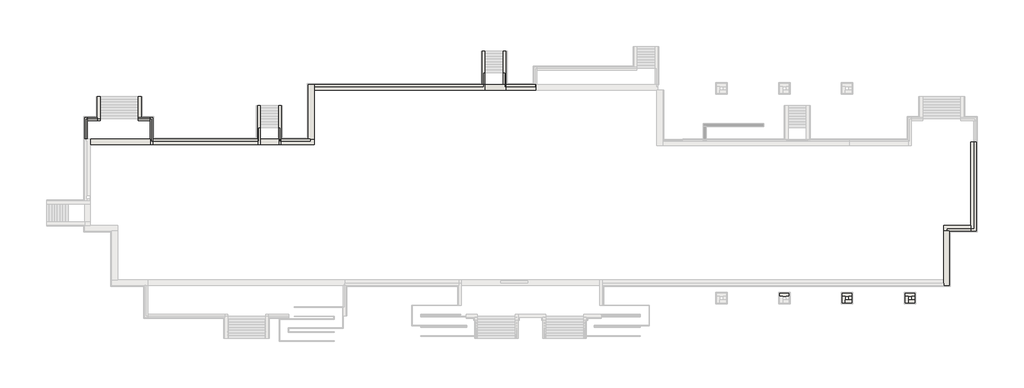
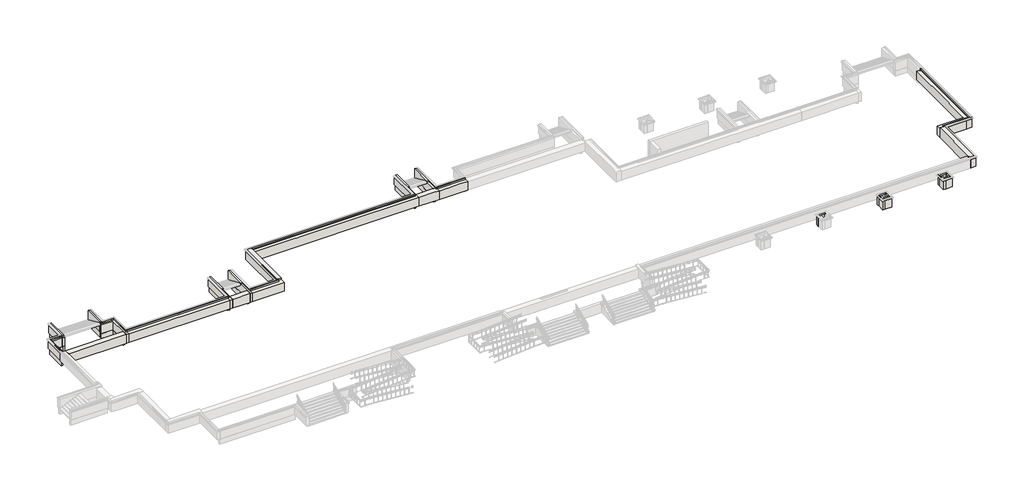
# One storey, part 2 of 10: 40 walls.
"""IFC4 building model written with IfcOpenShell, lengths in millimetres."""

from ifc_helpers import new_model, si_unit, frame, origin, place, context, project, spatial, polyline, outline, extrude, faceted_brep, element, save

model = new_model("IFC4")

# Units and contexts
model_context = context("Model", 3, world=origin())
ifc_project = project(units=[si_unit("LENGTHUNIT", "METRE", prefix="MILLI")], contexts=[model_context])

# Site, building, storey
site = spatial("IfcSite", under=ifc_project)
building = spatial("IfcBuilding", under=site)
storey = spatial("IfcBuildingStorey", under=building, Elevation=-1200.0)

# Walls
placement = place(None, origin())
element("IfcWall", 1, at=placement, inside=storey, context=model_context, shape_type="Brep", body=[
    faceted_brep([(49210.0112841, 698.1079487, -1200.0), (49210.0112841, 268.1079487, -1200.0), (49210.0112841, -8506.8920513, -1200.0), (49210.0112841, -9116.8920513, -1200.0), (49210.0112841, -9116.8920513, -1100.0), (49210.0112841, -9116.8920513, -150.0), (49210.0112841, -9116.8920513, 0.0), (49210.0112841, -9016.8920513, 0.0), (49210.0112841, -8906.8920513, 0.0), (49210.0112841, -8906.8920513, -160.0), (49210.0112841, -8506.8920513, -160.0), (49210.0112841, -6146.8920513, -160.0), (49210.0112841, -5946.8920513, -160.0), (49210.0112841, -5506.8920513, -160.0), (49210.0112841, -5306.8920513, -160.0), (49210.0112841, 698.1079487, -160.0), (49820.0112841, -9116.8920513, 0.0), (49820.0112841, -9116.8920513, -150.0), (49820.0112841, -9116.8920513, -1100.0), (49820.0112841, -9116.8920513, -1200.0), (49820.0112841, 268.1079487, -1200.0), (49820.0112841, 573.1079487, -1200.0), (49820.0112841, 573.1079487, -1105.5), (49820.0112841, 698.1079487, -1105.5), (49820.0112841, 698.1079487, -1100.0), (49820.0112841, 698.1079487, -150.0), (49820.0112841, 698.1079487, 0.0), (49820.0112841, 573.1079487, 0.0), (49710.0112841, 698.1079487, -1200.0), (49710.0112841, 573.1079487, -1200.0), (49720.0112841, 698.1079487, 0.0), (49610.0112841, 698.1079487, 0.0), (49610.0112841, -8906.8920513, 0.0), (49710.0112841, 698.1079487, -1100.0), (49610.0112841, 698.1079487, -160.0), (49710.0112841, 573.1079487, -1100.0), (49610.0112841, -8906.8920513, -160.0)], [[[0, 1, 2, 3, 4, 5, 6, 7, 8, 9, 10, 11, 12, 13, 14, 15]], [[16, 17, 18, 19, 20, 21, 22, 23, 24, 25, 26, 27]], [[3, 2, 1, 0, 28, 29, 21, 20, 19]], [[6, 16, 27, 26, 30, 31, 32, 8, 7]], [[26, 25, 24, 23, 33, 28, 0, 15, 34, 31, 30]], [[3, 19, 18, 17, 16, 6, 5, 4]], [[35, 22, 21, 29]], [[22, 35, 33, 23]], [[35, 29, 28, 33]], [[9, 36, 34, 15, 14, 13, 12, 11, 10]], [[36, 32, 31, 34]], [[32, 36, 9, 8]]]),
])
element("IfcWall", 2, at=placement, inside=storey, context=model_context, shape_type="Brep", body=[
    faceted_brep([(49210.0112841, -8506.8920513, -1200.0), (46210.0112841, -8506.8920513, -1200.0), (46210.0112841, -8506.8920513, -160.0), (49210.0112841, -8506.8920513, -160.0), (49210.0112841, -9116.8920513, -150.0), (49210.0112841, -9116.8920513, 0.0), (46820.0112841, -9116.8920513, 0.0), (46720.0112841, -9116.8920513, 0.0), (46610.0112841, -9116.8920513, 0.0), (46610.0112841, -9116.8920513, -160.0), (46210.0112841, -9116.8920513, -160.0), (46210.0112841, -9116.8920513, -1200.0), (46820.0112841, -9116.8920513, -1200.0), (49210.0112841, -9116.8920513, -1200.0), (49210.0112841, -9116.8920513, -1100.0), (49210.0112841, -9016.8920513, 0.0), (49210.0112841, -8906.8920513, 0.0), (46610.0112841, -8906.8920513, 0.0), (49210.0112841, -8906.8920513, -160.0), (46610.0112841, -8906.8920513, -160.0)], [[[0, 1, 2, 3]], [[4, 5, 6, 7, 8, 9, 10, 11, 12, 13, 14]], [[1, 0, 13, 12, 11]], [[6, 5, 15, 16, 17, 8, 7]], [[1, 11, 10, 2]], [[13, 0, 3, 18, 16, 15, 5, 4, 14]], [[9, 19, 18, 3, 2, 10]], [[19, 17, 16, 18]], [[17, 19, 9, 8]]]),
])
element("IfcWall", 3, at=placement, inside=storey, context=model_context, shape_type="Brep", body=[
    faceted_brep([(46210.0112841, -9116.8920513, -1200.0), (46210.0112841, -14506.8920513, -1200.0), (46210.0112841, -15116.8920513, -1200.0), (46210.0112841, -15116.8920513, -1100.0), (46210.0112841, -15116.8920513, -150.0), (46210.0112841, -15116.8920513, 0.0), (46210.0112841, -15016.8920513, 0.0), (46210.0112841, -14506.8920513, 0.0), (46210.0112841, -9116.8920513, 0.0), (46210.0112841, -9116.8920513, -300.0), (46820.0112841, -15116.8920513, -1200.0), (46820.0112841, -14506.8920513, -1200.0), (46820.0112841, -9116.8920513, -1200.0), (46820.0112841, -9116.8920513, -1100.0), (46820.0112841, -9116.8920513, -150.0), (46820.0112841, -9116.8920513, 0.0), (46820.0112841, -15116.8920513, 0.0), (46820.0112841, -15116.8920513, -150.0), (46820.0112841, -15116.8920513, -1100.0), (46720.0112841, -9116.8920513, 0.0), (46610.0112841, -9116.8920513, 0.0)], [[[0, 1, 2, 3, 4, 5, 6, 7, 8, 9]], [[10, 11, 12, 13, 14, 15, 16, 17, 18]], [[2, 1, 0, 12, 11, 10]], [[16, 15, 19, 20, 8, 7, 6, 5]], [[12, 0, 9, 8, 20, 19, 15, 14, 13]], [[2, 10, 18, 17, 16, 5, 4, 3]]]),
])
element("IfcWall", 4, at=placement, inside=storey, context=model_context, shape_type="Brep", body=[
    faceted_brep([(-22989.9887159, 1003.1079487, -1200.0), (-22989.9887159, 6393.1079487, -1200.0), (-22989.9887159, 7003.1079487, -1200.0), (-22989.9887159, 7003.1079487, -1100.0), (-22989.9887159, 7003.1079487, -150.0), (-22989.9887159, 7003.1079487, 0.0), (-22989.9887159, 6903.1079487, 0.0), (-22989.9887159, 6793.1079487, 0.0), (-22989.9887159, 1003.1079487, 0.0), (-22989.9887159, 1003.1079487, -160.0), (-23599.9887159, 7003.1079487, -1200.0), (-23599.9887159, 1003.1079487, -1200.0), (-23599.9887159, 1003.1079487, -1100.0), (-23599.9887159, 1003.1079487, -150.0), (-23599.9887159, 1003.1079487, 0.0), (-23599.9887159, 7003.1079487, 0.0), (-23599.9887159, 7003.1079487, -150.0), (-23599.9887159, 7003.1079487, -1100.0), (-23499.9887159, 1003.1079487, 0.0), (-23389.9887159, 1003.1079487, 0.0)], [[[0, 1, 2, 3, 4, 5, 6, 7, 8, 9]], [[10, 11, 12, 13, 14, 15, 16, 17]], [[2, 1, 0, 11, 10]], [[15, 14, 18, 19, 8, 7, 6, 5]], [[2, 10, 17, 16, 15, 5, 4, 3]], [[0, 9, 8, 19, 18, 14, 13, 12, 11]]]),
])
element("IfcWall", 5, at=placement, inside=storey, context=model_context, shape_type="Brep", body=[
    faceted_brep([(-22989.9887159, 6393.1079487, -1200.0), (-4199.9887159, 6393.1079487, -1200.0), (-4199.9887159, 6393.1079487, -300.0), (-4199.9887159, 6393.1079487, -160.0), (-22989.9887159, 6393.1079487, -160.0), (-22989.9887159, 7003.1079487, -150.0), (-22989.9887159, 7003.1079487, 0.0), (-4509.9887159, 7003.1079487, 0.0), (-4409.9887159, 7003.1079487, 0.0), (-4409.9887159, 7003.1079487, -160.0), (-4199.9887159, 7003.1079487, -160.0), (-4199.9887159, 7003.1079487, -300.0), (-4199.9887159, 7003.1079487, -1200.0), (-4399.9887159, 7003.1079487, -1200.0), (-22989.9887159, 7003.1079487, -1200.0), (-22989.9887159, 7003.1079487, -1100.0), (-22989.9887159, 6903.1079487, 0.0), (-22989.9887159, 6793.1079487, 0.0), (-4409.9887159, 6793.1079487, 0.0), (-22989.9887159, 6793.1079487, -160.0), (-4409.9887159, 6793.1079487, -160.0)], [[[0, 1, 2, 3, 4]], [[5, 6, 7, 8, 9, 10, 11, 12, 13, 14, 15]], [[1, 0, 14, 13, 12]], [[6, 16, 17, 18, 8, 7]], [[14, 0, 4, 19, 17, 16, 6, 5, 15]], [[9, 20, 19, 4, 3, 10]], [[20, 18, 17, 19]], [[18, 20, 9, 8]], [[1, 12, 11, 10, 3, 2]]]),
])
element("IfcWall", 6, at=placement, inside=storey, context=model_context, shape_type="Brep", body=[
    faceted_brep([(28200.0112841, -16306.8920513, -1200.0), (28510.0112841, -16306.8920513, -1200.0), (28910.0112841, -16306.8920513, -1200.0), (29220.0112841, -16306.8920513, -1200.0), (29220.0112841, -16306.8920513, -1100.0), (29220.0112841, -16306.8920513, -150.0), (29220.0112841, -16306.8920513, 0.0), (29120.0112841, -16306.8920513, 0.0), (28910.0112841, -16306.8920513, 0.0), (28510.0112841, -16306.8920513, 0.0), (28300.0112841, -16306.8920513, 0.0), (28200.0112841, -16306.8920513, 0.0), (28200.0112841, -16306.8920513, -150.0), (28200.0112841, -16306.8920513, -1100.0), (29220.0112841, -15996.8920513, -1200.0), (28200.0112841, -15996.8920513, -1200.0), (28200.0112841, -15996.8920513, -1100.0), (28200.0112841, -15996.8920513, -150.0), (28200.0112841, -15996.8920513, 0.0), (29220.0112841, -15996.8920513, 0.0), (29220.0112841, -15996.8920513, -150.0), (29220.0112841, -15996.8920513, -1100.0)], [[[0, 1, 2, 3, 4, 5, 6, 7, 8, 9, 10, 11, 12, 13]], [[14, 15, 16, 17, 18, 19, 20, 21]], [[3, 2, 1, 0, 15, 14]], [[19, 18, 11, 10, 9, 8, 7, 6]], [[11, 18, 17, 16, 15, 0, 13, 12]], [[3, 14, 21, 20, 19, 6, 5, 4]]]),
])
element("IfcWall", 7, at=placement, inside=storey, context=model_context, shape_type="Brep", body=[
    faceted_brep([(35100.0112841, -16306.8920513, -1200.0), (35410.0112841, -16306.8920513, -1200.0), (35810.0112841, -16306.8920513, -1200.0), (36120.0112841, -16306.8920513, -1200.0), (36120.0112841, -16306.8920513, -1100.0), (36120.0112841, -16306.8920513, -150.0), (36120.0112841, -16306.8920513, 0.0), (36020.0112841, -16306.8920513, 0.0), (35810.0112841, -16306.8920513, 0.0), (35410.0112841, -16306.8920513, 0.0), (35200.0112841, -16306.8920513, 0.0), (35100.0112841, -16306.8920513, 0.0), (35100.0112841, -16306.8920513, -150.0), (35100.0112841, -16306.8920513, -1100.0), (36120.0112841, -15996.8920513, -1200.0), (35100.0112841, -15996.8920513, -1200.0), (35100.0112841, -15996.8920513, -1100.0), (35100.0112841, -15996.8920513, -150.0), (35100.0112841, -15996.8920513, 0.0), (36120.0112841, -15996.8920513, 0.0), (36120.0112841, -15996.8920513, -150.0), (36120.0112841, -15996.8920513, -1100.0)], [[[0, 1, 2, 3, 4, 5, 6, 7, 8, 9, 10, 11, 12, 13]], [[14, 15, 16, 17, 18, 19, 20, 21]], [[3, 2, 1, 0, 15, 14]], [[19, 18, 11, 10, 9, 8, 7, 6]], [[11, 18, 17, 16, 15, 0, 13, 12]], [[3, 14, 21, 20, 19, 6, 5, 4]]]),
])
element("IfcWall", 8, at=placement, inside=storey, context=model_context, shape_type="Brep", body=[
    faceted_brep([(35100.0112841, -16306.8920513, -1200.0), (35100.0112841, -17016.8920513, -1200.0), (35100.0112841, -17016.8920513, -1100.0), (35100.0112841, -17016.8920513, -150.0), (35100.0112841, -17016.8920513, 0.0), (35100.0112841, -16306.8920513, 0.0), (35100.0112841, -16306.8920513, -150.0), (35100.0112841, -16306.8920513, -1100.0), (35410.0112841, -17016.8920513, -1200.0), (35410.0112841, -16706.8920513, -1200.0), (35410.0112841, -16306.8920513, -1200.0), (35410.0112841, -16306.8920513, 0.0), (35410.0112841, -16706.8920513, 0.0), (35410.0112841, -16916.8920513, 0.0), (35410.0112841, -17016.8920513, 0.0), (35410.0112841, -17016.8920513, -150.0), (35410.0112841, -17016.8920513, -1100.0), (35200.0112841, -16306.8920513, 0.0)], [[[0, 1, 2, 3, 4, 5, 6, 7]], [[8, 9, 10, 11, 12, 13, 14, 15, 16]], [[1, 0, 10, 9, 8]], [[5, 4, 14, 13, 12, 11, 17]], [[11, 10, 0, 7, 6, 5, 17]], [[1, 8, 16, 15, 14, 4, 3, 2]]]),
])
element("IfcWall", 9, at=placement, inside=storey, context=model_context, shape_type="Brep", body=[
    faceted_brep([(36120.0112841, -16706.8920513, -1200.0), (35810.0112841, -16706.8920513, -1200.0), (35410.0112841, -16706.8920513, -1200.0), (35410.0112841, -16706.8920513, 0.0), (35810.0112841, -16706.8920513, 0.0), (36020.0112841, -16706.8920513, 0.0), (36120.0112841, -16706.8920513, 0.0), (36120.0112841, -16706.8920513, -150.0), (36120.0112841, -16706.8920513, -1100.0), (35410.0112841, -17016.8920513, -1200.0), (36120.0112841, -17016.8920513, -1200.0), (36120.0112841, -17016.8920513, -1100.0), (36120.0112841, -17016.8920513, -150.0), (36120.0112841, -17016.8920513, 0.0), (35410.0112841, -17016.8920513, 0.0), (35410.0112841, -17016.8920513, -150.0), (35410.0112841, -17016.8920513, -1100.0), (35410.0112841, -16916.8920513, 0.0)], [[[0, 1, 2, 3, 4, 5, 6, 7, 8]], [[9, 10, 11, 12, 13, 14, 15, 16]], [[2, 1, 0, 10, 9]], [[14, 13, 6, 5, 4, 3, 17]], [[3, 2, 9, 16, 15, 14, 17]], [[6, 13, 12, 11, 10, 0, 8, 7]]]),
])
element("IfcWall", 10, at=placement, inside=storey, context=model_context, shape_type="Brep", body=[
    faceted_brep([(35810.0112841, -16306.8920513, -1200.0), (35810.0112841, -16706.8920513, -1200.0), (35810.0112841, -16706.8920513, 0.0), (35810.0112841, -16306.8920513, 0.0), (36120.0112841, -16706.8920513, -1200.0), (36120.0112841, -16306.8920513, -1200.0), (36120.0112841, -16306.8920513, -1100.0), (36120.0112841, -16306.8920513, -150.0), (36120.0112841, -16306.8920513, 0.0), (36120.0112841, -16706.8920513, 0.0), (36120.0112841, -16706.8920513, -150.0), (36120.0112841, -16706.8920513, -1100.0), (36020.0112841, -16706.8920513, 0.0), (36020.0112841, -16306.8920513, 0.0)], [[[0, 1, 2, 3]], [[4, 5, 6, 7, 8, 9, 10, 11]], [[1, 0, 5, 4]], [[3, 2, 12, 9, 8, 13]], [[0, 3, 13, 8, 7, 6, 5]], [[2, 1, 4, 11, 10, 9, 12]]]),
])
element("IfcWall", 11, at=placement, inside=storey, context=model_context, shape_type="Brep", body=[
    faceted_brep([(42000.0112841, -16306.8920513, -1200.0), (42310.0112841, -16306.8920513, -1200.0), (42710.0112841, -16306.8920513, -1200.0), (43020.0112841, -16306.8920513, -1200.0), (43020.0112841, -16306.8920513, -1100.0), (43020.0112841, -16306.8920513, -150.0), (43020.0112841, -16306.8920513, 0.0), (42920.0112841, -16306.8920513, 0.0), (42710.0112841, -16306.8920513, 0.0), (42310.0112841, -16306.8920513, 0.0), (42100.0112841, -16306.8920513, 0.0), (42000.0112841, -16306.8920513, 0.0), (42000.0112841, -16306.8920513, -150.0), (42000.0112841, -16306.8920513, -1100.0), (43020.0112841, -15996.8920513, -1200.0), (42000.0112841, -15996.8920513, -1200.0), (42000.0112841, -15996.8920513, -1100.0), (42000.0112841, -15996.8920513, -150.0), (42000.0112841, -15996.8920513, 0.0), (43020.0112841, -15996.8920513, 0.0), (43020.0112841, -15996.8920513, -150.0), (43020.0112841, -15996.8920513, -1100.0)], [[[0, 1, 2, 3, 4, 5, 6, 7, 8, 9, 10, 11, 12, 13]], [[14, 15, 16, 17, 18, 19, 20, 21]], [[3, 2, 1, 0, 15, 14]], [[19, 18, 11, 10, 9, 8, 7, 6]], [[11, 18, 17, 16, 15, 0, 13, 12]], [[3, 14, 21, 20, 19, 6, 5, 4]]]),
])
element("IfcWall", 12, at=placement, inside=storey, context=model_context, shape_type="Brep", body=[
    faceted_brep([(42000.0112841, -16306.8920513, -1200.0), (42000.0112841, -17016.8920513, -1200.0), (42000.0112841, -17016.8920513, -1100.0), (42000.0112841, -17016.8920513, -150.0), (42000.0112841, -17016.8920513, 0.0), (42000.0112841, -16306.8920513, 0.0), (42000.0112841, -16306.8920513, -150.0), (42000.0112841, -16306.8920513, -1100.0), (42310.0112841, -17016.8920513, -1200.0), (42310.0112841, -16706.8920513, -1200.0), (42310.0112841, -16306.8920513, -1200.0), (42310.0112841, -16306.8920513, 0.0), (42310.0112841, -16706.8920513, 0.0), (42310.0112841, -16916.8920513, 0.0), (42310.0112841, -17016.8920513, 0.0), (42310.0112841, -17016.8920513, -150.0), (42310.0112841, -17016.8920513, -1100.0), (42100.0112841, -16306.8920513, 0.0)], [[[0, 1, 2, 3, 4, 5, 6, 7]], [[8, 9, 10, 11, 12, 13, 14, 15, 16]], [[1, 0, 10, 9, 8]], [[5, 4, 14, 13, 12, 11, 17]], [[11, 10, 0, 7, 6, 5, 17]], [[1, 8, 16, 15, 14, 4, 3, 2]]]),
])
element("IfcWall", 13, at=placement, inside=storey, context=model_context, shape_type="Brep", body=[
    faceted_brep([(43020.0112841, -16706.8920513, -1200.0), (42710.0112841, -16706.8920513, -1200.0), (42310.0112841, -16706.8920513, -1200.0), (42310.0112841, -16706.8920513, 0.0), (42710.0112841, -16706.8920513, 0.0), (42920.0112841, -16706.8920513, 0.0), (43020.0112841, -16706.8920513, 0.0), (43020.0112841, -16706.8920513, -150.0), (43020.0112841, -16706.8920513, -1100.0), (42310.0112841, -17016.8920513, -1200.0), (43020.0112841, -17016.8920513, -1200.0), (43020.0112841, -17016.8920513, -1100.0), (43020.0112841, -17016.8920513, -150.0), (43020.0112841, -17016.8920513, 0.0), (42310.0112841, -17016.8920513, 0.0), (42310.0112841, -17016.8920513, -150.0), (42310.0112841, -17016.8920513, -1100.0), (42310.0112841, -16916.8920513, 0.0)], [[[0, 1, 2, 3, 4, 5, 6, 7, 8]], [[9, 10, 11, 12, 13, 14, 15, 16]], [[2, 1, 0, 10, 9]], [[14, 13, 6, 5, 4, 3, 17]], [[3, 2, 9, 16, 15, 14, 17]], [[6, 13, 12, 11, 10, 0, 8, 7]]]),
])
element("IfcWall", 14, at=placement, inside=storey, context=model_context, shape_type="Brep", body=[
    faceted_brep([(42710.0112841, -16306.8920513, -1200.0), (42710.0112841, -16706.8920513, -1200.0), (42710.0112841, -16706.8920513, 0.0), (42710.0112841, -16306.8920513, 0.0), (43020.0112841, -16706.8920513, -1200.0), (43020.0112841, -16306.8920513, -1200.0), (43020.0112841, -16306.8920513, -1100.0), (43020.0112841, -16306.8920513, -150.0), (43020.0112841, -16306.8920513, 0.0), (43020.0112841, -16706.8920513, 0.0), (43020.0112841, -16706.8920513, -150.0), (43020.0112841, -16706.8920513, -1100.0), (42920.0112841, -16706.8920513, 0.0), (42920.0112841, -16306.8920513, 0.0)], [[[0, 1, 2, 3]], [[4, 5, 6, 7, 8, 9, 10, 11]], [[1, 0, 5, 4]], [[3, 2, 12, 9, 8, 13]], [[0, 3, 13, 8, 7, 6, 5]], [[2, 1, 4, 11, 10, 9, 12]]]),
])
element("IfcWall", 15, at=placement, inside=storey, context=model_context, shape_type="Brep", body=[
    faceted_brep([(-46485.9937665, 3048.1270954, -1800.0), (-46485.9937665, 5668.1079487, -1800.0), (-46485.9937665, 5668.1079487, -1200.0), (-46485.9937665, 3048.1270954, -1200.0), (-46685.9937665, 3048.1270954, -1800.0), (-46685.9937665, 3048.1270954, -1200.0), (-46685.9937665, 3248.1270954, -1200.0), (-46685.9937665, 5668.1079487, -1200.0), (-46685.9937665, 5668.1079487, -1800.0), (-46685.9937665, 3248.1270954, -1800.0)], [[[0, 1, 2, 3]], [[4, 5, 6, 7, 8, 9]], [[1, 0, 4, 9, 8]], [[2, 1, 8, 7]], [[3, 2, 7, 6, 5]], [[0, 3, 5, 4]]]),
])
element("IfcWall", 16, at=placement, inside=storey, context=model_context, shape_type="Brep", body=[
    faceted_brep([(-46485.9937665, 3048.1270954, -1200.0), (-46485.9937665, 5668.1079487, -1200.0), (-46485.9937665, 5668.1079487, 0.0), (-46485.9937665, 3248.1079487, 0.0), (-46485.9937665, 3248.1079487, -160.0), (-46485.9937665, 3048.1270954, -160.0), (-46795.9937665, 5668.1079487, 0.0), (-46795.9937665, 5668.1079487, -150.0), (-46795.9937665, 5668.1079487, -1105.5), (-46795.9937665, 3358.1270954, -1105.5), (-46795.9937665, 3248.1270954, -1100.0), (-46795.9937665, 3248.1270954, -1200.0), (-46795.9937665, 3048.1270954, -1200.0), (-46795.9937665, 3048.1270954, -160.0), (-46795.9937665, 3248.1079487, -160.0), (-46795.9937665, 3248.1079487, 0.0), (-46795.9937665, 3258.1270954, 0.0), (-46795.9937665, 3358.1270954, 0.0), (-46685.9937665, 3048.1270954, -1200.0), (-46685.9937665, 3248.1270954, -1200.0), (-46685.9937665, 5668.1079487, -1200.0), (-46685.9937665, 5668.1079487, -1100.0), (-46695.9937665, 5668.1079487, 0.0), (-46685.9937665, 3248.1270954, -1100.0)], [[[0, 1, 2, 3, 4, 5]], [[6, 7, 8, 9, 10, 11, 12, 13, 14, 15, 16, 17]], [[1, 0, 18, 12, 11, 19, 20]], [[2, 1, 20, 21, 8, 7, 6, 22]], [[22, 6, 17, 16, 15, 3, 2]], [[23, 21, 20, 19]], [[21, 23, 9, 8]], [[9, 23, 10]], [[23, 19, 11, 10]], [[4, 14, 13, 5]], [[14, 4, 3, 15]], [[12, 18, 0, 5, 13]]]),
])
element("IfcWall", 17, at=placement, inside=storey, context=model_context, shape_type="Brep", body=[
    faceted_brep([(-40811.9988172, 1003.1079487, -1800.0), (-40811.9988172, 3248.1270954, -1800.0), (-40811.9988172, 3248.1270954, -1200.0), (-40811.9988172, 1003.1079487, -1200.0), (-41011.9988172, 1003.1079487, -1800.0), (-41011.9988172, 1003.1079487, -1200.0), (-41011.9988172, 3048.1270954, -1200.0), (-41011.9988172, 3248.1270954, -1200.0), (-41011.9988172, 3248.1270954, -1800.0), (-41011.9988172, 3048.1270954, -1800.0)], [[[0, 1, 2, 3]], [[4, 5, 6, 7, 8, 9]], [[1, 0, 4, 9, 8]], [[3, 2, 7, 6, 5]], [[2, 1, 8, 7]], [[0, 3, 5, 4]]]),
])
element("IfcWall", 18, at=placement, inside=storey, context=model_context, shape_type="Brep", body=[
    faceted_brep([(-40701.9988172, 3358.1270954, -150.0), (-40701.9988172, 3358.1270954, 0.0), (-40701.9988172, 1003.1079487, 0.0), (-40701.9988172, 903.1079487, 0.0), (-40701.9988172, 793.1079487, 0.0), (-40701.9988172, 793.1079487, -160.0), (-40701.9988172, 393.1079487, -160.0), (-40701.9988172, 393.1079487, -1200.0), (-40701.9988172, 1003.1079487, -1200.0), (-40701.9988172, 1003.1079487, -1100.0), (-40701.9988172, 1113.1079487, -1105.5), (-40701.9988172, 3358.1270954, -1105.5), (-41011.9988172, 3358.1270954, 0.0), (-41011.9988172, 3358.1270954, -150.0), (-41011.9988172, 3358.1270954, -1105.5), (-41011.9988172, 3248.1270954, -1100.0), (-41011.9988172, 3248.1270954, -1200.0), (-41011.9988172, 3048.1270954, -1200.0), (-41011.9988172, 1003.1079487, -1200.0), (-41011.9988172, 393.1079487, -1200.0), (-41011.9988172, 393.1079487, -160.0), (-41011.9988172, 1003.1079487, -160.0), (-41011.9988172, 3048.1270954, -160.0), (-41011.9988172, 3248.1079487, -160.0), (-41011.9988172, 3248.1079487, 0.0), (-41011.9988172, 3258.1270954, 0.0), (-40811.9988172, 3248.1270954, -1200.0), (-40811.9988172, 1003.1079487, -1200.0), (-40811.9988172, 3248.1079487, 0.0), (-40811.9988172, 793.1079487, 0.0), (-40811.9988172, 1003.1079487, -1100.0), (-40811.9988172, 3248.1270954, -1100.0), (-40811.9988172, 793.1079487, -160.0), (-40811.9988172, 3248.1079487, -160.0), (-40989.9887159, 393.1079487, -160.0), (-40789.9887159, 393.1079487, -160.0)], [[[0, 1, 2, 3, 4, 5, 6, 7, 8, 9, 10, 11]], [[12, 13, 14, 15, 16, 17, 18, 19, 20, 21, 22, 23, 24, 25]], [[26, 27, 8, 7, 19, 18, 17, 16]], [[1, 12, 25, 24, 28, 29, 4, 3, 2]], [[30, 27, 26, 31]], [[10, 30, 31, 11]], [[12, 1, 0, 11, 14, 13]], [[31, 26, 16, 15]], [[11, 31, 15, 14]], [[32, 33, 23, 22, 21, 20, 34, 35, 6, 5]], [[33, 28, 24, 23]], [[30, 10, 9]], [[27, 30, 9, 8]], [[33, 32, 29, 28]], [[29, 32, 5, 4]], [[19, 7, 6, 35, 34, 20]]]),
])
element("IfcWall", 19, at=placement, inside=storey, context=model_context, shape_type="Brep", body=[
    faceted_brep([(-42305.9937665, 3048.1270954, -1800.0), (-41011.9988172, 3048.1270954, -1800.0), (-41011.9988172, 3048.1270954, -1200.0), (-42305.9937665, 3048.1270954, -1200.0), (-42305.9937665, 3248.1270954, -1800.0), (-42305.9937665, 3248.1270954, -1200.0), (-42105.9937665, 3248.1270954, -1200.0), (-41011.9988172, 3248.1270954, -1200.0), (-41011.9988172, 3248.1270954, -1800.0), (-42105.9937665, 3248.1270954, -1800.0)], [[[0, 1, 2, 3]], [[4, 5, 6, 7, 8, 9]], [[1, 0, 4, 9, 8]], [[3, 2, 7, 6, 5]], [[2, 1, 8, 7]], [[0, 3, 5, 4]]]),
])
element("IfcWall", 20, at=placement, inside=storey, context=model_context, shape_type="Brep", body=[
    faceted_brep([(-42305.9937665, 3048.1270954, -1200.0), (-41011.9988172, 3048.1270954, -1200.0), (-41011.9988172, 3048.1270954, -160.0), (-42305.9937665, 3048.1270954, -160.0), (-41011.9988172, 3358.1270954, -1105.5), (-41995.9937665, 3358.1270954, -1105.5), (-42105.9937665, 3358.1270954, -1100.0), (-42105.9937665, 3358.1270954, -1200.0), (-42305.9937665, 3358.1270954, -1200.0), (-42305.9937665, 3358.1270954, 0.0), (-42095.9937665, 3358.1270954, 0.0), (-41995.9937665, 3358.1270954, 0.0), (-41011.9988172, 3358.1270954, 0.0), (-41011.9988172, 3358.1270954, -150.0), (-42305.9937665, 3248.1270954, -1200.0), (-42105.9937665, 3248.1270954, -1200.0), (-41011.9988172, 3248.1270954, -1200.0), (-41011.9988172, 3258.1270954, 0.0), (-42305.9937665, 3248.1079487, 0.0), (-41011.9988172, 3248.1079487, 0.0), (-42105.9937665, 3248.1270954, -1100.0), (-41011.9988172, 3248.1270954, -1100.0), (-41011.9988172, 3248.1079487, -160.0), (-42305.9937665, 3248.1079487, -160.0)], [[[0, 1, 2, 3]], [[4, 5, 6, 7, 8, 9, 10, 11, 12, 13]], [[1, 0, 14, 8, 7, 15, 16]], [[17, 12, 11, 10, 9, 18, 19]], [[15, 20, 21, 16]], [[20, 5, 4, 21]], [[12, 17, 19, 22, 2, 1, 16, 21, 4, 13]], [[5, 20, 6]], [[20, 15, 7, 6]], [[9, 8, 14, 0, 3, 23, 18]], [[22, 23, 3, 2]], [[23, 22, 19, 18]]]),
])
element("IfcWall", 21, at=placement, inside=storey, context=model_context, shape_type="Brep", body=[
    faceted_brep([(-42105.9937665, 3248.1270954, -1800.0), (-42105.9937665, 5668.1079487, -1800.0), (-42105.9937665, 5668.1079487, -1200.0), (-42105.9937665, 3358.1270954, -1200.0), (-42105.9937665, 3248.1270954, -1200.0), (-42305.9937665, 3248.1270954, -1800.0), (-42305.9937665, 3248.1270954, -1200.0), (-42305.9937665, 3358.1270954, -1200.0), (-42305.9937665, 5668.1079487, -1200.0), (-42305.9937665, 5668.1079487, -1800.0)], [[[0, 1, 2, 3, 4]], [[5, 6, 7, 8, 9]], [[1, 0, 5, 9]], [[2, 1, 9, 8]], [[4, 3, 2, 8, 7, 6]], [[0, 4, 6, 5]]]),
])
element("IfcWall", 22, at=placement, inside=storey, context=model_context, shape_type="Brep", body=[
    faceted_brep([(-41995.9937665, 5668.1079487, 0.0), (-41995.9937665, 3358.1270954, 0.0), (-41995.9937665, 3358.1270954, -150.0), (-41995.9937665, 3358.1270954, -1105.5), (-41995.9937665, 5668.1079487, -1105.5), (-41995.9937665, 5668.1079487, -150.0), (-42305.9937665, 5668.1079487, -1200.0), (-42305.9937665, 3358.1270954, -1200.0), (-42305.9937665, 3358.1270954, 0.0), (-42305.9937665, 5668.1079487, 0.0), (-42105.9937665, 5668.1079487, -1200.0), (-42105.9937665, 3358.1270954, -1200.0), (-42095.9937665, 5668.1079487, 0.0), (-42105.9937665, 5668.1079487, -1100.0), (-42095.9937665, 3358.1270954, 0.0), (-42105.9937665, 3358.1270954, -1100.0)], [[[0, 1, 2, 3, 4, 5]], [[6, 7, 8, 9]], [[7, 6, 10, 11]], [[6, 9, 12, 0, 5, 4, 13, 10]], [[1, 0, 12, 9, 8, 14]], [[13, 15, 11, 10]], [[15, 13, 4, 3]], [[8, 7, 11, 15, 3, 2, 1, 14]]]),
])
element("IfcWall", 23, at=placement, inside=storey, context=model_context, shape_type="Brep", body=[
    faceted_brep([(-40701.9988172, 393.1079487, -1200.0), (-29199.9887159, 393.1079487, -1200.0), (-29199.9887159, 393.1079487, -160.0), (-40701.9988172, 393.1079487, -160.0), (-29199.9887159, 1003.1079487, -1200.0), (-40701.9988172, 1003.1079487, -1200.0), (-40701.9988172, 1003.1079487, -1100.0), (-40701.9988172, 1003.1079487, -150.0), (-40701.9988172, 1003.1079487, 0.0), (-29199.9887159, 1003.1079487, 0.0), (-29199.9887159, 1003.1079487, -150.0), (-29199.9887159, 1003.1079487, -1100.0), (-40701.9988172, 903.1079487, 0.0), (-40701.9988172, 793.1079487, 0.0), (-29199.9887159, 793.1079487, 0.0), (-29199.9887159, 903.1079487, 0.0), (-29199.9887159, 793.1079487, -160.0), (-40701.9988172, 793.1079487, -160.0)], [[[0, 1, 2, 3]], [[4, 5, 6, 7, 8, 9, 10, 11]], [[1, 0, 5, 4]], [[9, 8, 12, 13, 14, 15]], [[16, 17, 3, 2]], [[17, 16, 14, 13]], [[1, 4, 11, 10, 9, 15, 14, 16, 2]], [[5, 0, 3, 17, 13, 12, 8, 7, 6]]]),
])
element("IfcWall", 24, at=placement, inside=storey, context=model_context, shape_type="Brep", body=[
    faceted_brep([(-47589.9887159, 393.1079487, -1200.0), (-41011.9988172, 393.1079487, -1200.0), (-41011.9988172, 393.1079487, -160.0), (-44689.9887159, 393.1079487, -160.0), (-44889.9887159, 393.1079487, -160.0), (-47589.9887159, 393.1079487, -160.0), (-41011.9988172, 1003.1079487, -1200.0), (-47589.9887159, 1003.1079487, -1200.0), (-47589.9887159, 1003.1079487, -160.0), (-41011.9988172, 1003.1079487, -160.0)], [[[0, 1, 2, 3, 4, 5]], [[6, 7, 8, 9]], [[1, 0, 7, 6]], [[5, 4, 3, 2, 9, 8]], [[7, 0, 5, 8]], [[1, 6, 9, 2]]]),
])
element("IfcWall", 25, at=placement, inside=storey, context=model_context, shape_type="SweptSolid", body=[
    extrude(outline(polyline([(-26689.9887159, 4693.1079487), (-26689.9887159, 1003.1079487), (-26889.9887159, 1003.1079487), (-26889.9887159, 4693.1079487), (-26689.9887159, 4693.1079487)])), frame((0.0, 0.0, -1800.0), z_axis=(0.0, 0.0, 1.0), x_axis=(1.0, 0.0, 0.0)), (0.0, 0.0, 1.0), 600.0),
])
element("IfcWall", 26, at=placement, inside=storey, context=model_context, shape_type="Brep", body=[
    faceted_brep([(-26579.9887159, 4693.1079487, 0.0), (-26579.9887159, 1003.1079487, 0.0), (-26579.9887159, 903.1079487, 0.0), (-26579.9887159, 793.1079487, 0.0), (-26579.9887159, 793.1079487, -160.0), (-26579.9887159, 393.1079487, -160.0), (-26579.9887159, 393.1079487, -1200.0), (-26579.9887159, 1003.1079487, -1200.0), (-26579.9887159, 1003.1079487, -1100.0), (-26579.9887159, 1113.1079487, -1105.5), (-26579.9887159, 4693.1079487, -1105.5), (-26579.9887159, 4693.1079487, -150.0), (-26889.9887159, 4693.1079487, -1200.0), (-26889.9887159, 1003.1079487, -1200.0), (-26889.9887159, 393.1079487, -1200.0), (-26889.9887159, 393.1079487, -160.0), (-26889.9887159, 1003.1079487, -160.0), (-26889.9887159, 2293.1079487, -160.0), (-26889.9887159, 2293.1079487, 0.0), (-26889.9887159, 4693.1079487, 0.0), (-26689.9887159, 4693.1079487, -1200.0), (-26689.9887159, 1003.1079487, -1200.0), (-26679.9887159, 4693.1079487, 0.0), (-26689.9887159, 4693.1079487, -1100.0), (-26679.9887159, 2293.1079487, 0.0), (-26679.9887159, 903.1079487, 0.0), (-26679.9887159, 793.1079487, 0.0), (-26689.9887159, 1003.1079487, -1100.0), (-26679.9887159, 793.1079487, -160.0), (-26679.9887159, 2293.1079487, -160.0)], [[[0, 1, 2, 3, 4, 5, 6, 7, 8, 9, 10, 11]], [[12, 13, 14, 15, 16, 17, 18, 19]], [[14, 13, 12, 20, 21, 7, 6]], [[12, 19, 22, 0, 11, 10, 23, 20]], [[22, 19, 18, 24, 25, 26, 3, 2, 1, 0]], [[27, 21, 20, 23]], [[9, 27, 23, 10]], [[27, 9, 8]], [[21, 27, 8, 7]], [[28, 29, 17, 16, 15, 5, 4]], [[29, 24, 18, 17]], [[29, 28, 26, 25, 24]], [[26, 28, 4, 3]], [[14, 6, 5, 15]]]),
])
element("IfcWall", 27, at=placement, inside=storey, context=model_context, shape_type="SweptSolid", body=[
    extrude(outline(polyline([(-28889.9887159, 4693.1079487), (-28889.9887159, 1003.1079487), (-29089.9887159, 1003.1079487), (-29089.9887159, 4693.1079487), (-28889.9887159, 4693.1079487)])), frame((0.0, 0.0, -1800.0), z_axis=(0.0, 0.0, 1.0), x_axis=(1.0, 0.0, 0.0)), (0.0, 0.0, 1.0), 600.0),
])
element("IfcWall", 28, at=placement, inside=storey, context=model_context, shape_type="Brep", body=[
    faceted_brep([(-28889.9887159, 393.1079487, -1200.0), (-28889.9887159, 1003.1079487, -1200.0), (-28889.9887159, 4693.1079487, -1200.0), (-28889.9887159, 4693.1079487, 0.0), (-28889.9887159, 2293.1079487, 0.0), (-28889.9887159, 2293.1079487, -160.0), (-28889.9887159, 1003.1079487, -160.0), (-28889.9887159, 393.1079487, -160.0), (-29199.9887159, 4693.1079487, 0.0), (-29199.9887159, 4693.1079487, -150.0), (-29199.9887159, 4693.1079487, -1105.5), (-29199.9887159, 1113.1079487, -1105.5), (-29199.9887159, 1003.1079487, -1100.0), (-29199.9887159, 1003.1079487, -1200.0), (-29199.9887159, 393.1079487, -1200.0), (-29199.9887159, 393.1079487, -160.0), (-29199.9887159, 793.1079487, -160.0), (-29199.9887159, 793.1079487, 0.0), (-29199.9887159, 903.1079487, 0.0), (-29199.9887159, 1003.1079487, 0.0), (-29089.9887159, 1003.1079487, -1200.0), (-29089.9887159, 4693.1079487, -1200.0), (-29089.9887159, 4693.1079487, -1100.0), (-29099.9887159, 4693.1079487, 0.0), (-29099.9887159, 793.1079487, 0.0), (-29099.9887159, 903.1079487, 0.0), (-29099.9887159, 2293.1079487, 0.0), (-29089.9887159, 1003.1079487, -1100.0), (-29099.9887159, 2293.1079487, -160.0), (-29099.9887159, 793.1079487, -160.0)], [[[0, 1, 2, 3, 4, 5, 6, 7]], [[8, 9, 10, 11, 12, 13, 14, 15, 16, 17, 18, 19]], [[2, 1, 0, 14, 13, 20, 21]], [[3, 2, 21, 22, 10, 9, 8, 23]], [[23, 8, 19, 18, 17, 24, 25, 26, 4, 3]], [[27, 22, 21, 20]], [[22, 27, 11, 10]], [[11, 27, 12]], [[27, 20, 13, 12]], [[28, 29, 16, 15, 7, 6, 5]], [[29, 28, 26, 25, 24]], [[26, 28, 5, 4]], [[14, 0, 7, 15]], [[29, 24, 17, 16]]]),
])
element("IfcWall", 29, at=placement, inside=storey, context=model_context, shape_type="SweptSolid", body=[
    extrude(outline(polyline([(-26889.9887159, 393.1079487), (-28889.9887159, 393.1079487), (-28889.9887159, 1003.1079487), (-26889.9887159, 1003.1079487), (-26889.9887159, 393.1079487)])), frame((0.0, 0.0, -1200.0), z_axis=(0.0, 0.0, 1.0), x_axis=(1.0, 0.0, 0.0)), (0.0, 0.0, 1.0), 1040.0),
])
element("IfcWall", 30, at=placement, inside=storey, context=model_context, shape_type="Brep", body=[
    faceted_brep([(-26579.9887159, 393.1079487, -1200.0), (-22989.9887159, 393.1079487, -1200.0), (-22989.9887159, 393.1079487, -160.0), (-26579.9887159, 393.1079487, -160.0), (-22989.9887159, 1003.1079487, -1200.0), (-23599.9887159, 1003.1079487, -1200.0), (-26579.9887159, 1003.1079487, -1200.0), (-26579.9887159, 1003.1079487, -1100.0), (-26579.9887159, 1003.1079487, -150.0), (-26579.9887159, 1003.1079487, 0.0), (-23599.9887159, 1003.1079487, 0.0), (-23499.9887159, 1003.1079487, 0.0), (-23389.9887159, 1003.1079487, 0.0), (-23389.9887159, 1003.1079487, -160.0), (-22989.9887159, 1003.1079487, -160.0), (-26579.9887159, 903.1079487, 0.0), (-26579.9887159, 793.1079487, 0.0), (-23389.9887159, 793.1079487, 0.0), (-23389.9887159, 793.1079487, -160.0), (-26579.9887159, 793.1079487, -160.0)], [[[0, 1, 2, 3]], [[4, 5, 6, 7, 8, 9, 10, 11, 12, 13, 14]], [[1, 0, 6, 5, 4]], [[10, 9, 15, 16, 17, 12, 11]], [[1, 4, 14, 2]], [[13, 18, 19, 3, 2, 14]], [[17, 18, 13, 12]], [[18, 17, 16, 19]], [[6, 0, 3, 19, 16, 15, 9, 8, 7]]]),
])
element("IfcWall", 31, at=placement, inside=storey, context=model_context, shape_type="SweptSolid", body=[
    extrude(outline(polyline([(-1999.9887159, 10693.1079487), (-1999.9887159, 7003.1079487), (-2199.9887159, 7003.1079487), (-2199.9887159, 10693.1079487), (-1999.9887159, 10693.1079487)])), frame((0.0, 0.0, -1800.0), z_axis=(0.0, 0.0, 1.0), x_axis=(1.0, 0.0, 0.0)), (0.0, 0.0, 1.0), 600.0),
])
element("IfcWall", 32, at=placement, inside=storey, context=model_context, shape_type="Brep", body=[
    faceted_brep([(-1889.9887159, 10693.1079487, 0.0), (-1889.9887159, 7003.1079487, 0.0), (-1889.9887159, 7003.1079487, -150.0), (-1889.9887159, 7003.1079487, -1105.5), (-1889.9887159, 10693.1079487, -1105.5), (-1889.9887159, 10693.1079487, -150.0), (-2199.9887159, 10693.1079487, -1200.0), (-2199.9887159, 7003.1079487, -1200.0), (-2199.9887159, 7003.1079487, -160.0), (-2199.9887159, 8293.1079487, -160.0), (-2199.9887159, 8293.1079487, 0.0), (-2199.9887159, 10693.1079487, 0.0), (-1999.9887159, 10693.1079487, -1200.0), (-1999.9887159, 7003.1079487, -1200.0), (-1989.9887159, 10693.1079487, 0.0), (-1999.9887159, 10693.1079487, -1100.0), (-1989.9887159, 8293.1079487, 0.0), (-1989.9887159, 7003.1079487, 0.0), (-1999.9887159, 7003.1079487, -1100.0), (-1989.9887159, 7003.1079487, -160.0), (-1989.9887159, 8293.1079487, -160.0)], [[[0, 1, 2, 3, 4, 5]], [[6, 7, 8, 9, 10, 11]], [[7, 6, 12, 13]], [[6, 11, 14, 0, 5, 4, 15, 12]], [[1, 0, 14, 11, 10, 16, 17]], [[13, 12, 15, 18]], [[15, 4, 3, 18]], [[19, 20, 9, 8]], [[20, 16, 10, 9]], [[16, 20, 19, 17]], [[2, 1, 17, 19, 8, 7, 13, 18, 3]]]),
])
element("IfcWall", 33, at=placement, inside=storey, context=model_context, shape_type="SweptSolid", body=[
    extrude(outline(polyline([(-4199.9887159, 10693.1079487), (-4199.9887159, 7003.1079487), (-4399.9887159, 7003.1079487), (-4399.9887159, 10693.1079487), (-4199.9887159, 10693.1079487)])), frame((0.0, 0.0, -1800.0), z_axis=(0.0, 0.0, 1.0), x_axis=(1.0, 0.0, 0.0)), (0.0, 0.0, 1.0), 600.0),
])
element("IfcWall", 34, at=placement, inside=storey, context=model_context, shape_type="Brep", body=[
    faceted_brep([(-4199.9887159, 7003.1079487, -1200.0), (-4199.9887159, 10693.1079487, -1200.0), (-4199.9887159, 10693.1079487, 0.0), (-4199.9887159, 8293.1079487, 0.0), (-4199.9887159, 8293.1079487, -160.0), (-4199.9887159, 7003.1079487, -160.0), (-4509.9887159, 7003.1079487, 0.0), (-4509.9887159, 10693.1079487, 0.0), (-4509.9887159, 10693.1079487, -150.0), (-4509.9887159, 10693.1079487, -1105.5), (-4509.9887159, 7113.1079487, -1105.5), (-4509.9887159, 7003.1079487, -1100.0), (-4509.9887159, 7003.1079487, -150.0), (-4399.9887159, 7003.1079487, -1200.0), (-4399.9887159, 10693.1079487, -1200.0), (-4399.9887159, 10693.1079487, -1100.0), (-4409.9887159, 10693.1079487, 0.0), (-4409.9887159, 7003.1079487, 0.0), (-4409.9887159, 8293.1079487, 0.0), (-4399.9887159, 7003.1079487, -1100.0), (-4409.9887159, 8293.1079487, -160.0), (-4409.9887159, 7003.1079487, -160.0)], [[[0, 1, 2, 3, 4, 5]], [[6, 7, 8, 9, 10, 11, 12]], [[1, 0, 13, 14]], [[2, 1, 14, 15, 9, 8, 7, 16]], [[7, 6, 17, 18, 3, 2, 16]], [[19, 15, 14, 13]], [[15, 19, 10, 9]], [[10, 19, 11]], [[4, 20, 21, 5]], [[20, 18, 17, 21]], [[18, 20, 4, 3]], [[6, 12, 11, 19, 13, 0, 5, 21, 17]]]),
])
element("IfcWall", 35, at=placement, inside=storey, context=model_context, shape_type="Brep", body=[
    faceted_brep([(-4199.9887159, 6393.1079487, -1200.0), (-1889.9887159, 6393.1079487, -1200.0), (-1889.9887159, 6393.1079487, -160.0), (-2389.9887159, 6393.1079487, -160.0), (-4199.9887159, 6393.1079487, -160.0), (-1889.9887159, 7003.1079487, -1200.0), (-1999.9887159, 7003.1079487, -1200.0), (-2199.9887159, 7003.1079487, -1200.0), (-4199.9887159, 7003.1079487, -1200.0), (-4199.9887159, 7003.1079487, -160.0), (-2199.9887159, 7003.1079487, -160.0), (-1989.9887159, 7003.1079487, -160.0), (-1989.9887159, 7003.1079487, 0.0), (-1889.9887159, 7003.1079487, 0.0), (-1889.9887159, 7003.1079487, -150.0), (-1889.9887159, 7003.1079487, -1105.5), (-1989.9887159, 6903.1079487, 0.0), (-1989.9887159, 6793.1079487, 0.0), (-1889.9887159, 6793.1079487, 0.0), (-1889.9887159, 6903.1079487, 0.0), (-1889.9887159, 6793.1079487, -160.0), (-1989.9887159, 6793.1079487, -160.0)], [[[0, 1, 2, 3, 4]], [[5, 6, 7, 8, 9, 10, 11, 12, 13, 14, 15]], [[1, 0, 8, 7, 6, 5]], [[13, 12, 16, 17, 18, 19]], [[3, 2, 20, 21, 11, 10, 9, 4]], [[1, 5, 15, 14, 13, 19, 18, 20, 2]], [[8, 0, 4, 9]], [[21, 17, 16, 12, 11]], [[17, 21, 20, 18]]]),
])
element("IfcWall", 36, at=placement, inside=storey, context=model_context, shape_type="Brep", body=[
    faceted_brep([(-1889.9887159, 6393.1079487, -1200.0), (1365.0112841, 6393.1079487, -1200.0), (1365.0112841, 6393.1079487, -160.0), (410.0112841, 6393.1079487, -160.0), (-889.9887159, 6393.1079487, -160.0), (-1089.9887159, 6393.1079487, -160.0), (-1889.9887159, 6393.1079487, -160.0), (1365.0112841, 7003.1079487, -1200.0), (-1889.9887159, 7003.1079487, -1200.0), (-1889.9887159, 7003.1079487, -1100.0), (-1889.9887159, 7003.1079487, -150.0), (-1889.9887159, 7003.1079487, 0.0), (1210.0112841, 7003.1079487, 0.0), (1310.0112841, 7003.1079487, 0.0), (1310.0112841, 7003.1079487, -160.0), (1365.0112841, 7003.1079487, -160.0), (1365.0112841, 7003.1079487, -1100.0), (-1889.9887159, 6903.1079487, 0.0), (-1889.9887159, 6793.1079487, 0.0), (1310.0112841, 6793.1079487, 0.0), (1310.0112841, 6793.1079487, -160.0), (-1889.9887159, 6793.1079487, -160.0)], [[[0, 1, 2, 3, 4, 5, 6]], [[7, 8, 9, 10, 11, 12, 13, 14, 15, 16]], [[1, 0, 8, 7]], [[1, 7, 16, 15, 2]], [[12, 11, 17, 18, 19, 13]], [[14, 20, 21, 6, 5, 4, 3, 2, 15]], [[19, 20, 14, 13]], [[20, 19, 18, 21]], [[8, 0, 6, 21, 18, 17, 11, 10, 9]]]),
])
element("IfcWall", 37, at=placement, inside=storey, context=model_context, shape_type="Brep", body=[
    faceted_brep([(-47889.9887159, 1003.1079487, -1800.0), (-47889.9887159, 3048.1270954, -1800.0), (-47889.9887159, 3248.1270954, -1800.0), (-47889.9887159, 3248.1270954, -1200.0), (-47889.9887159, 3048.1270954, -1200.0), (-47889.9887159, 1003.1079487, -1200.0), (-48089.9887159, 1003.1079487, -1800.0), (-48089.9887159, 1003.1079487, -1200.0), (-48089.9887159, 3248.1270954, -1200.0), (-48089.9887159, 3248.1270954, -1800.0)], [[[0, 1, 2, 3, 4, 5]], [[6, 7, 8, 9]], [[2, 1, 0, 6, 9]], [[5, 4, 3, 8, 7]], [[0, 5, 7, 6]], [[3, 2, 9, 8]]]),
])
element("IfcWall", 38, at=placement, inside=storey, context=model_context, shape_type="Brep", body=[
    faceted_brep([(-47889.9887159, 3358.1270954, 0.0), (-47889.9887159, 3258.1270954, 0.0), (-47889.9887159, 3248.1079487, 0.0), (-47889.9887159, 3248.1079487, -160.0), (-47889.9887159, 3048.1270954, -160.0), (-47889.9887159, 1003.1079487, -160.0), (-47889.9887159, 1003.1079487, -1200.0), (-47889.9887159, 3048.1270954, -1200.0), (-47889.9887159, 3248.1270954, -1200.0), (-47889.9887159, 3248.1270954, -1100.0), (-47889.9887159, 3358.1270954, -1105.5), (-47889.9887159, 3358.1270954, -150.0), (-48199.9887159, 1003.1079487, 0.0), (-48199.9887159, 3358.1270954, 0.0), (-48199.9887159, 3358.1270954, -150.0), (-48199.9887159, 3358.1270954, -1105.5), (-48199.9887159, 1003.1079487, -1105.5), (-48199.9887159, 1003.1079487, -150.0), (-48089.9887159, 1003.1079487, -1200.0), (-48089.9887159, 3248.1270954, -1200.0), (-48099.9887159, 1003.1079487, 0.0), (-48086.9988172, 1003.1079487, 0.0), (-48086.9988172, 3248.1079487, 0.0), (-48089.9887159, 1003.1079487, -1100.0), (-48089.9887159, 3248.1270954, -1100.0), (-48086.9988172, 3248.1079487, -160.0), (-48086.9988172, 1003.1079487, -160.0)], [[[0, 1, 2, 3, 4, 5, 6, 7, 8, 9, 10, 11]], [[12, 13, 14, 15, 16, 17]], [[18, 19, 8, 7, 6]], [[13, 12, 20, 21, 22, 2, 1, 0]], [[23, 24, 19, 18]], [[24, 23, 16, 15]], [[3, 25, 26, 5, 4]], [[25, 22, 21, 26]], [[12, 17, 16, 23, 18, 6, 5, 26, 21, 20]], [[22, 25, 3, 2]], [[13, 0, 11, 10, 15, 14]], [[19, 24, 9, 8]], [[24, 15, 10, 9]]]),
])
element("IfcWall", 39, at=placement, inside=storey, context=model_context, shape_type="Brep", body=[
    faceted_brep([(-46685.9937665, 3248.1270954, -1800.0), (-47889.9887159, 3248.1270954, -1800.0), (-47889.9887159, 3248.1270954, -1200.0), (-46795.9937665, 3248.1270954, -1200.0), (-46685.9937665, 3248.1270954, -1200.0), (-46685.9937665, 3048.1270954, -1800.0), (-46685.9937665, 3048.1270954, -1200.0), (-46795.9937665, 3048.1270954, -1200.0), (-47889.9887159, 3048.1270954, -1200.0), (-47889.9887159, 3048.1270954, -1800.0)], [[[0, 1, 2, 3, 4]], [[5, 6, 7, 8, 9]], [[1, 0, 5, 9]], [[4, 3, 2, 8, 7, 6]], [[2, 1, 9, 8]], [[0, 4, 6, 5]]]),
])
element("IfcWall", 40, at=placement, inside=storey, context=model_context, shape_type="Brep", body=[
    faceted_brep([(-47889.9887159, 3358.1270954, 0.0), (-46795.9937665, 3358.1270954, 0.0), (-46795.9937665, 3358.1270954, -150.0), (-46795.9937665, 3358.1270954, -1105.5), (-47889.9887159, 3358.1270954, -1105.5), (-47889.9887159, 3358.1270954, -150.0), (-47889.9887159, 3048.1270954, -1200.0), (-46795.9937665, 3048.1270954, -1200.0), (-46795.9937665, 3048.1270954, -300.0), (-46795.9937665, 3048.1270954, -160.0), (-47889.9887159, 3048.1270954, -160.0), (-47889.9887159, 3248.1270954, -1200.0), (-46795.9937665, 3248.1270954, -1200.0), (-47889.9887159, 3258.1270954, 0.0), (-47889.9887159, 3248.1079487, 0.0), (-46795.9937665, 3248.1079487, 0.0), (-46795.9937665, 3258.1270954, 0.0), (-46795.9937665, 3248.1270954, -1100.0), (-47889.9887159, 3248.1270954, -1100.0), (-47889.9887159, 3248.1079487, -160.0), (-46795.9937665, 3248.1079487, -160.0)], [[[0, 1, 2, 3, 4, 5]], [[6, 7, 8, 9, 10]], [[7, 6, 11, 12]], [[1, 0, 13, 14, 15, 16]], [[4, 3, 17, 18]], [[12, 11, 18, 17]], [[0, 5, 4, 18, 11, 6, 10, 19, 14, 13]], [[20, 19, 10, 9]], [[19, 20, 15, 14]], [[2, 1, 16, 15, 20, 9, 8, 7, 12, 17, 3]]]),
])

save(model, "model.ifc")
